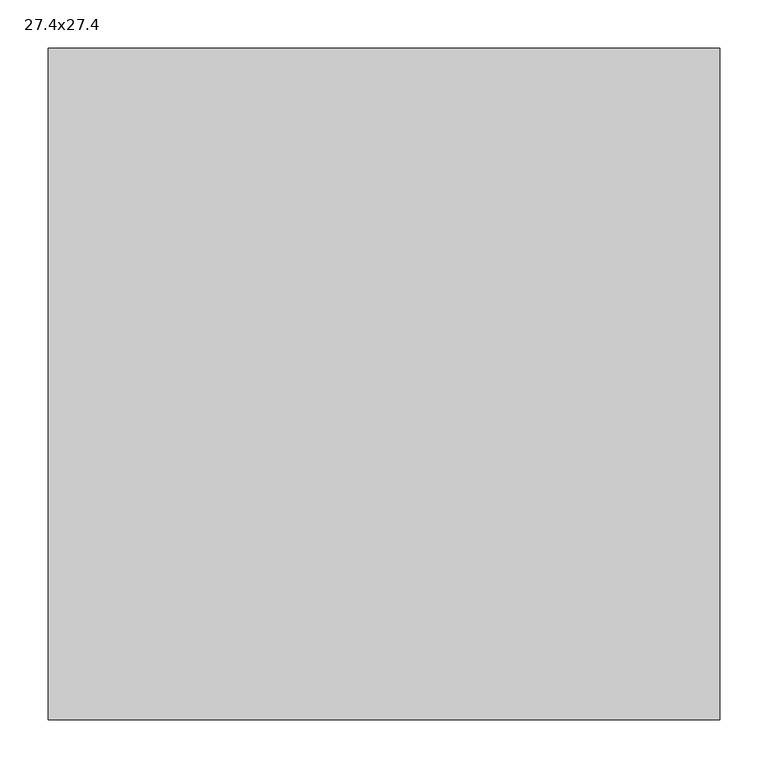
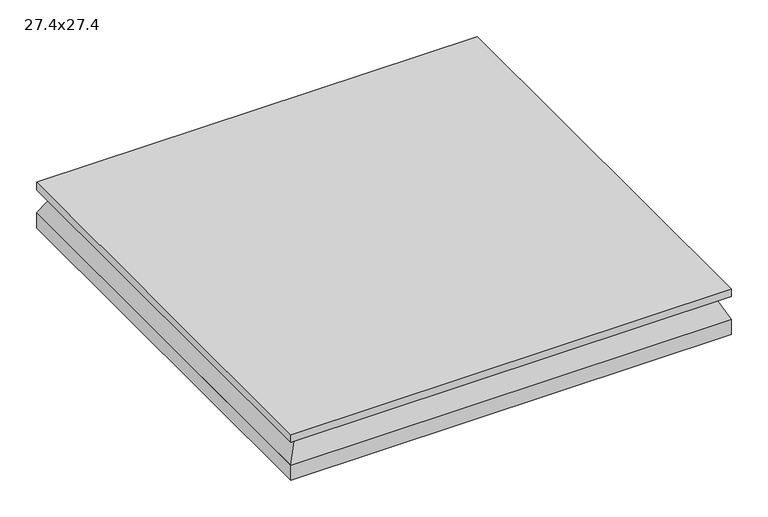
"""IFC4 building model written with IfcOpenShell, lengths in millimetres: air terminal geometry, 27.4x27.4."""

import ifcopenshell
import ifcopenshell.guid

model = None  # the IFC model being written
_history = None  # IfcOwnerHistory: only IFC2X3 demands one
_inside = {}  # id of a spatial element -> (the spatial element, [elements in it])
_under = {}  # id of a project, library or spatial element -> (it, [spatial elements below it])
_declared = {}  # id of a project -> (the project, [libraries it declares])
_typed = {}  # id of a type object -> (the type object, [elements of that type])
_made_of = {}  # id of a material, layer set ... -> (it, [elements and type objects made of it])


def new_model(schema):
    """Start an empty IFC model of exactly this schema.

    Asked for "IFC4X3", IfcOpenShell would pick the latest addendum, in which some entities
    have other attributes; the version numbers below select the first issue.
    IFC2X3 requires an IfcOwnerHistory on every rooted entity: one is made here for all.
    """
    global model, _history
    if schema == "IFC4X3":
        model = ifcopenshell.file(schema_version=(4, 3, 0, 0))
    else:
        model = ifcopenshell.file(schema=schema)
    _inside.clear()
    _under.clear()
    _declared.clear()
    _typed.clear()
    _made_of.clear()
    _history = None
    if model.schema == "IFC2X3":
        org = make("IfcOrganization", Name="unknown")
        user = make(
            "IfcPersonAndOrganization",
            ThePerson=make("IfcPerson", FamilyName="unknown"),
            TheOrganization=org,
        )
        app = make(
            "IfcApplication",
            ApplicationDeveloper=org,
            Version="unknown",
            ApplicationFullName="unknown",
            ApplicationIdentifier="unknown",
        )
        _history = make(
            "IfcOwnerHistory",
            OwningUser=user,
            OwningApplication=app,
            ChangeAction="ADDED",
            CreationDate=0,
        )
    return model


def make(cls, **values):
    """One entity of the class cls with the attributes given. An attribute that is None is left unset."""
    return model.create_entity(
        cls, **{name: value for name, value in values.items() if value is not None}
    )


def rooted(cls, **values):
    """An entity with a GlobalId (a new one), such as an element, a storey or a relation."""
    return make(cls, GlobalId=ifcopenshell.guid.new(), OwnerHistory=_history, **values)


def si_unit(unit_type, name, prefix=None):
    """IfcSIUnit, for example si_unit("LENGTHUNIT", "METRE", prefix="MILLI")."""
    return make("IfcSIUnit", UnitType=unit_type, Prefix=prefix, Name=name)


def assignment(units):
    """IfcUnitAssignment: the units of a project."""
    return None if units is None else make("IfcUnitAssignment", Units=units)


def point(xyz):
    """IfcCartesianPoint."""
    return None if xyz is None else make("IfcCartesianPoint", Coordinates=xyz)


def direction(xyz):
    """IfcDirection."""
    return None if xyz is None else make("IfcDirection", DirectionRatios=xyz)


def frame(location, z_axis=None, x_axis=None):
    """IfcAxis2Placement3D, a coordinate frame: its origin and axes. An axis left out is left unset."""
    return make(
        "IfcAxis2Placement3D",
        Location=point(location),
        Axis=direction(z_axis),
        RefDirection=direction(x_axis),
    )


def origin():
    """The frame at (0, 0, 0) with its axes left unset."""
    return frame((0.0, 0.0, 0.0))


def origin_with_axes():
    """The frame at (0, 0, 0) with the z axis (0, 0, 1) and the x axis (1, 0, 0) written out."""
    return frame((0.0, 0.0, 0.0), z_axis=(0.0, 0.0, 1.0), x_axis=(1.0, 0.0, 0.0))


def place(relative_to, where):
    """IfcLocalPlacement: puts the frame where relative to a parent placement (None: the world)."""
    return make(
        "IfcLocalPlacement", PlacementRelTo=relative_to, RelativePlacement=where
    )


def context(
    kind, dimensions, precision=None, world=None, true_north=None, identifier=None
):
    """IfcGeometricRepresentationContext, for example the 3D "Model" context."""
    return make(
        "IfcGeometricRepresentationContext",
        ContextIdentifier=identifier,
        ContextType=kind,
        CoordinateSpaceDimension=dimensions,
        Precision=precision,
        WorldCoordinateSystem=world,
        TrueNorth=true_north,
    )


def project(units=None, contexts=None):
    """IfcProject with its units and contexts."""
    return rooted(
        "IfcProject",
        Name="project",
        RepresentationContexts=contexts,
        UnitsInContext=assignment(units),
    )


def spatial(cls, under=None, at=None, **own):
    """A site, building, storey or space (cls), placed at a placement, below another one or the project."""
    s = rooted(cls, ObjectPlacement=at, **own)
    if under is not None:
        _under.setdefault(under.id(), (under, []))[1].append(s)
    return s


def polyline(points):
    """IfcPolyline through the points."""
    return make("IfcPolyline", Points=[point(p) for p in points])


def outline(outer, holes=None, kind="AREA"):
    """IfcArbitraryClosedProfileDef: a profile drawn as a closed curve; with holes, ...WithVoids."""
    if holes is None:
        return make("IfcArbitraryClosedProfileDef", ProfileType=kind, OuterCurve=outer)
    return make(
        "IfcArbitraryProfileDefWithVoids",
        ProfileType=kind,
        OuterCurve=outer,
        InnerCurves=holes,
    )


def extrude(swept, where, along, depth):
    """IfcExtrudedAreaSolid: the profile swept, set in the frame where, extruded along a direction by depth."""
    return make(
        "IfcExtrudedAreaSolid",
        SweptArea=swept,
        Position=where,
        ExtrudedDirection=direction(along),
        Depth=depth,
    )


def faces_of(points, faces, orient=None, outer=None):
    """IfcFace entities. A face is a list of loops; a loop is a list of indices into points, from 0.

    orient and outer hold one flag for each loop. By default every Orientation is true, the
    first loop of a face is its IfcFaceOuterBound and the others are IfcFaceBound.
    """
    made = []
    for i, loops in enumerate(faces):
        bounds = []
        for j, loop in enumerate(loops):
            is_outer = j == 0 if outer is None else outer[i][j]
            bounds.append(
                make(
                    "IfcFaceOuterBound" if is_outer else "IfcFaceBound",
                    Bound=make("IfcPolyLoop", Polygon=[points[k] for k in loop]),
                    Orientation=True if orient is None else orient[i][j],
                )
            )
        made.append(make("IfcFace", Bounds=bounds))
    return made


def faceted_brep(points, faces, orient=None, outer=None, voids=None):
    """IfcFacetedBrep: a solid bounded by flat faces; with voids (closed shells), ...WithVoids."""
    shared = [point(p) for p in points]
    hull = make("IfcClosedShell", CfsFaces=faces_of(shared, faces, orient, outer))
    if voids is None:
        return make("IfcFacetedBrep", Outer=hull)
    return make(
        "IfcFacetedBrepWithVoids",
        Outer=hull,
        Voids=[
            make(cls, CfsFaces=faces_of(shared, fs, o, b)) for cls, fs, o, b in voids
        ],
    )


def shape(context_of_items, identifier, shape_type, items):
    """IfcShapeRepresentation: the items that make up one representation, for example the "Body"."""
    return make(
        "IfcShapeRepresentation",
        ContextOfItems=context_of_items,
        RepresentationIdentifier=identifier,
        RepresentationType=shape_type,
        Items=items,
    )


def source(mapping_origin, context_of_items, identifier, shape_type, items):
    """IfcRepresentationMap: a shape defined once, which mapped items show again and again."""
    return make(
        "IfcRepresentationMap",
        MappingOrigin=mapping_origin,
        MappedRepresentation=shape(context_of_items, identifier, shape_type, items),
    )


def transform(
    local_origin,
    x_axis=None,
    y_axis=None,
    z_axis=None,
    scale=None,
    scale2=None,
    scale3=None,
    uniform=True,
):
    """IfcCartesianTransformationOperator3D, or its non-uniform kind. x_axis, y_axis, z_axis: its Axis1, 2, 3."""
    if uniform:
        return make(
            "IfcCartesianTransformationOperator3D",
            Axis1=direction(x_axis),
            Axis2=direction(y_axis),
            LocalOrigin=point(local_origin),
            Scale=scale,
            Axis3=direction(z_axis),
        )
    return make(
        "IfcCartesianTransformationOperator3DnonUniform",
        Axis1=direction(x_axis),
        Axis2=direction(y_axis),
        LocalOrigin=point(local_origin),
        Scale=scale,
        Axis3=direction(z_axis),
        Scale2=scale2,
        Scale3=scale3,
    )


def mapped(mapping_source, mapping_target):
    """IfcMappedItem: shows the shape of a source again, moved by a transform."""
    return make(
        "IfcMappedItem", MappingSource=mapping_source, MappingTarget=mapping_target
    )


def made_of(thing, what):
    """Note that an element or type object is made of a material, layer set ...; save() writes the relation."""
    if what is not None:
        _made_of.setdefault(what.id(), (what, []))[1].append(thing)
    return thing


def element(
    cls,
    number,
    at=None,
    inside=None,
    cuts=None,
    type_object=None,
    material=None,
    context=None,
    identifier="Body",
    shape_type=None,
    held_by="IfcProductDefinitionShape",
    body=None,
    shapes=None,
    **own,
):
    """One element of the class cls, such as IfcWall. Its Tag is "e" and its number.

    at: its placement. inside: the storey or other place that contains it. cuts: it is an
    opening in that element (IfcRelVoidsElement). A single representation is given by context,
    identifier, shape_type and body (its items); several are given by shapes. held_by: the class
    of the entity that holds the representations. save() writes the other relations.
    """
    e = rooted(cls, Tag="e%d" % number, ObjectPlacement=at, **own)
    if body is not None:
        shapes = [shape(context, identifier, shape_type, body)]
    if shapes is not None:
        e.Representation = make(held_by, Representations=shapes)
    if inside is not None:
        _inside.setdefault(inside.id(), (inside, []))[1].append(e)
    if cuts is not None:
        rooted(
            "IfcRelVoidsElement", RelatingBuildingElement=cuts, RelatedOpeningElement=e
        )
    if type_object is not None:
        _typed.setdefault(type_object.id(), (type_object, []))[1].append(e)
    return made_of(e, material)


def aggregate(whole, parts):
    """IfcRelAggregates: a whole, such as a stair, and the parts it consists of."""
    return rooted("IfcRelAggregates", RelatingObject=whole, RelatedObjects=parts)


def save(model, path):
    """Write the relations noted so far, then the file.

    IfcRelAggregates (storeys below a building ...), IfcRelContainedInSpatialStructure (elements
    in a storey), IfcRelDefinesByType, IfcRelAssociatesMaterial and IfcRelDeclares: one each for
    every whole, place, type object, material and project.
    """
    for whole, parts in _under.values():
        aggregate(whole, parts)
    for where, things in _inside.values():
        rooted(
            "IfcRelContainedInSpatialStructure",
            RelatedElements=things,
            RelatingStructure=where,
        )
    for kind, things in _typed.values():
        rooted("IfcRelDefinesByType", RelatedObjects=things, RelatingType=kind)
    for what, things in _made_of.values():
        rooted("IfcRelAssociatesMaterial", RelatedObjects=things, RelatingMaterial=what)
    for by, libraries in _declared.values():
        rooted("IfcRelDeclares", RelatingContext=by, RelatedDefinitions=libraries)
    model.write(path)


def air_terminal_27_4x27_4_f4d828d5(model_context):
    return source(origin(), model_context, "Body", "SolidModel", [
        faceted_brep([(-328.93, -328.93, 0.0), (328.93, -328.93, 0.0), (328.93, 328.93, 0.0), (-328.93, 328.93, 0.0), (-347.9601562, -347.9601563, -38.1), (-347.9601562, 347.9601562, -38.1), (347.9601563, 347.9601562, -38.1), (347.9601563, -347.9601563, -38.1)], [[[0, 1, 2, 3]], [[4, 5, 6, 7]], [[4, 7, 1, 0]], [[7, 6, 2, 1]], [[6, 5, 3, 2]], [[5, 4, 0, 3]]]),
        extrude(outline(polyline([(347.98, 347.98), (347.98, -347.98), (-347.98, -347.98), (-347.98, 347.98), (347.98, 347.98)])), origin_with_axes(), (0.0, 0.0, 1.0), 12.7),
        extrude(outline(polyline([(-347.9601562, 347.9601562), (347.9601563, 347.9601562), (347.9601563, -347.9601563), (-347.9601562, -347.9601563), (-347.9601562, 347.9601562)])), frame((0.0, 0.0, -63.5), z_axis=(0.0, 0.0, 1.0), x_axis=(1.0, 0.0, 0.0)), (0.0, 0.0, 1.0), 25.4),
    ])


if __name__ == "__main__":
    model = new_model("IFC4")
    model_context = context("Model", 3, world=origin())
    ifc_project = project(units=[si_unit("LENGTHUNIT", "METRE", prefix="MILLI")], contexts=[model_context])
    site = spatial("IfcSite", under=ifc_project)
    building = spatial("IfcBuilding", under=site)
    placement = place(None, origin())
    air_terminal_27_4x27_4_shape = air_terminal_27_4x27_4_f4d828d5(model_context)
    element("IfcAirTerminal", 1, ObjectType="27.4x27.4", at=placement, inside=building, context=model_context, shape_type="MappedRepresentation", body=[
        mapped(air_terminal_27_4x27_4_shape, transform((0.0, 0.0, 0.0), x_axis=(1.0, 0.0, 0.0), y_axis=(0.0, 1.0, 0.0), z_axis=(0.0, 0.0, 1.0))),
    ])
    save(model, "model.ifc")
